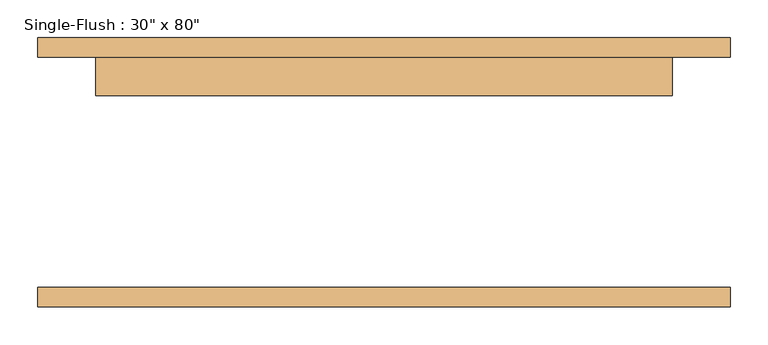
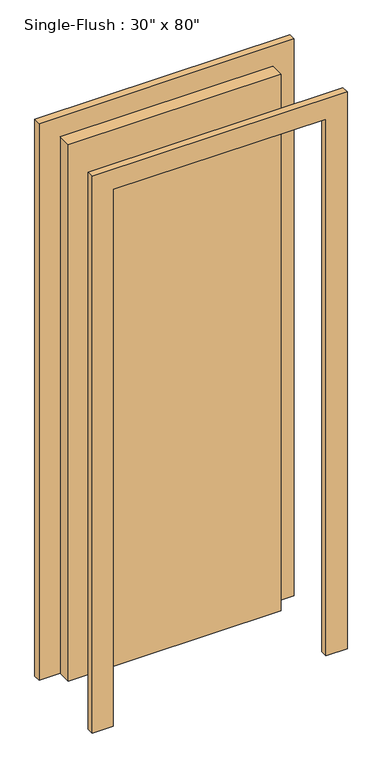
"""IFC4 building model written with IfcOpenShell, lengths in millimetres: door geometry."""

import ifcopenshell
import ifcopenshell.guid

model = None  # the IFC model being written
_history = None  # IfcOwnerHistory: only IFC2X3 demands one
_inside = {}  # id of a spatial element -> (the spatial element, [elements in it])
_under = {}  # id of a project, library or spatial element -> (it, [spatial elements below it])
_declared = {}  # id of a project -> (the project, [libraries it declares])
_typed = {}  # id of a type object -> (the type object, [elements of that type])
_made_of = {}  # id of a material, layer set ... -> (it, [elements and type objects made of it])


def new_model(schema):
    """Start an empty IFC model of exactly this schema.

    Asked for "IFC4X3", IfcOpenShell would pick the latest addendum, in which some entities
    have other attributes; the version numbers below select the first issue.
    IFC2X3 requires an IfcOwnerHistory on every rooted entity: one is made here for all.
    """
    global model, _history
    if schema == "IFC4X3":
        model = ifcopenshell.file(schema_version=(4, 3, 0, 0))
    else:
        model = ifcopenshell.file(schema=schema)
    _inside.clear()
    _under.clear()
    _declared.clear()
    _typed.clear()
    _made_of.clear()
    _history = None
    if model.schema == "IFC2X3":
        org = make("IfcOrganization", Name="unknown")
        user = make(
            "IfcPersonAndOrganization",
            ThePerson=make("IfcPerson", FamilyName="unknown"),
            TheOrganization=org,
        )
        app = make(
            "IfcApplication",
            ApplicationDeveloper=org,
            Version="unknown",
            ApplicationFullName="unknown",
            ApplicationIdentifier="unknown",
        )
        _history = make(
            "IfcOwnerHistory",
            OwningUser=user,
            OwningApplication=app,
            ChangeAction="ADDED",
            CreationDate=0,
        )
    return model


def make(cls, **values):
    """One entity of the class cls with the attributes given. An attribute that is None is left unset."""
    return model.create_entity(
        cls, **{name: value for name, value in values.items() if value is not None}
    )


def rooted(cls, **values):
    """An entity with a GlobalId (a new one), such as an element, a storey or a relation."""
    return make(cls, GlobalId=ifcopenshell.guid.new(), OwnerHistory=_history, **values)


def si_unit(unit_type, name, prefix=None):
    """IfcSIUnit, for example si_unit("LENGTHUNIT", "METRE", prefix="MILLI")."""
    return make("IfcSIUnit", UnitType=unit_type, Prefix=prefix, Name=name)


def assignment(units):
    """IfcUnitAssignment: the units of a project."""
    return None if units is None else make("IfcUnitAssignment", Units=units)


def point(xyz):
    """IfcCartesianPoint."""
    return None if xyz is None else make("IfcCartesianPoint", Coordinates=xyz)


def direction(xyz):
    """IfcDirection."""
    return None if xyz is None else make("IfcDirection", DirectionRatios=xyz)


def frame(location, z_axis=None, x_axis=None):
    """IfcAxis2Placement3D, a coordinate frame: its origin and axes. An axis left out is left unset."""
    return make(
        "IfcAxis2Placement3D",
        Location=point(location),
        Axis=direction(z_axis),
        RefDirection=direction(x_axis),
    )


def origin():
    """The frame at (0, 0, 0) with its axes left unset."""
    return frame((0.0, 0.0, 0.0))


def origin_with_axes():
    """The frame at (0, 0, 0) with the z axis (0, 0, 1) and the x axis (1, 0, 0) written out."""
    return frame((0.0, 0.0, 0.0), z_axis=(0.0, 0.0, 1.0), x_axis=(1.0, 0.0, 0.0))


def place(relative_to, where):
    """IfcLocalPlacement: puts the frame where relative to a parent placement (None: the world)."""
    return make(
        "IfcLocalPlacement", PlacementRelTo=relative_to, RelativePlacement=where
    )


def context(
    kind, dimensions, precision=None, world=None, true_north=None, identifier=None
):
    """IfcGeometricRepresentationContext, for example the 3D "Model" context."""
    return make(
        "IfcGeometricRepresentationContext",
        ContextIdentifier=identifier,
        ContextType=kind,
        CoordinateSpaceDimension=dimensions,
        Precision=precision,
        WorldCoordinateSystem=world,
        TrueNorth=true_north,
    )


def project(units=None, contexts=None):
    """IfcProject with its units and contexts."""
    return rooted(
        "IfcProject",
        Name="project",
        RepresentationContexts=contexts,
        UnitsInContext=assignment(units),
    )


def spatial(cls, under=None, at=None, **own):
    """A site, building, storey or space (cls), placed at a placement, below another one or the project."""
    s = rooted(cls, ObjectPlacement=at, **own)
    if under is not None:
        _under.setdefault(under.id(), (under, []))[1].append(s)
    return s


def polyline(points):
    """IfcPolyline through the points."""
    return make("IfcPolyline", Points=[point(p) for p in points])


def outline(outer, holes=None, kind="AREA"):
    """IfcArbitraryClosedProfileDef: a profile drawn as a closed curve; with holes, ...WithVoids."""
    if holes is None:
        return make("IfcArbitraryClosedProfileDef", ProfileType=kind, OuterCurve=outer)
    return make(
        "IfcArbitraryProfileDefWithVoids",
        ProfileType=kind,
        OuterCurve=outer,
        InnerCurves=holes,
    )


def extrude(swept, where, along, depth):
    """IfcExtrudedAreaSolid: the profile swept, set in the frame where, extruded along a direction by depth."""
    return make(
        "IfcExtrudedAreaSolid",
        SweptArea=swept,
        Position=where,
        ExtrudedDirection=direction(along),
        Depth=depth,
    )


def shape(context_of_items, identifier, shape_type, items):
    """IfcShapeRepresentation: the items that make up one representation, for example the "Body"."""
    return make(
        "IfcShapeRepresentation",
        ContextOfItems=context_of_items,
        RepresentationIdentifier=identifier,
        RepresentationType=shape_type,
        Items=items,
    )


def source(mapping_origin, context_of_items, identifier, shape_type, items):
    """IfcRepresentationMap: a shape defined once, which mapped items show again and again."""
    return make(
        "IfcRepresentationMap",
        MappingOrigin=mapping_origin,
        MappedRepresentation=shape(context_of_items, identifier, shape_type, items),
    )


def transform(
    local_origin,
    x_axis=None,
    y_axis=None,
    z_axis=None,
    scale=None,
    scale2=None,
    scale3=None,
    uniform=True,
):
    """IfcCartesianTransformationOperator3D, or its non-uniform kind. x_axis, y_axis, z_axis: its Axis1, 2, 3."""
    if uniform:
        return make(
            "IfcCartesianTransformationOperator3D",
            Axis1=direction(x_axis),
            Axis2=direction(y_axis),
            LocalOrigin=point(local_origin),
            Scale=scale,
            Axis3=direction(z_axis),
        )
    return make(
        "IfcCartesianTransformationOperator3DnonUniform",
        Axis1=direction(x_axis),
        Axis2=direction(y_axis),
        LocalOrigin=point(local_origin),
        Scale=scale,
        Axis3=direction(z_axis),
        Scale2=scale2,
        Scale3=scale3,
    )


def mapped(mapping_source, mapping_target):
    """IfcMappedItem: shows the shape of a source again, moved by a transform."""
    return make(
        "IfcMappedItem", MappingSource=mapping_source, MappingTarget=mapping_target
    )


def made_of(thing, what):
    """Note that an element or type object is made of a material, layer set ...; save() writes the relation."""
    if what is not None:
        _made_of.setdefault(what.id(), (what, []))[1].append(thing)
    return thing


def element(
    cls,
    number,
    at=None,
    inside=None,
    cuts=None,
    type_object=None,
    material=None,
    context=None,
    identifier="Body",
    shape_type=None,
    held_by="IfcProductDefinitionShape",
    body=None,
    shapes=None,
    **own,
):
    """One element of the class cls, such as IfcWall. Its Tag is "e" and its number.

    at: its placement. inside: the storey or other place that contains it. cuts: it is an
    opening in that element (IfcRelVoidsElement). A single representation is given by context,
    identifier, shape_type and body (its items); several are given by shapes. held_by: the class
    of the entity that holds the representations. save() writes the other relations.
    """
    e = rooted(cls, Tag="e%d" % number, ObjectPlacement=at, **own)
    if body is not None:
        shapes = [shape(context, identifier, shape_type, body)]
    if shapes is not None:
        e.Representation = make(held_by, Representations=shapes)
    if inside is not None:
        _inside.setdefault(inside.id(), (inside, []))[1].append(e)
    if cuts is not None:
        rooted(
            "IfcRelVoidsElement", RelatingBuildingElement=cuts, RelatedOpeningElement=e
        )
    if type_object is not None:
        _typed.setdefault(type_object.id(), (type_object, []))[1].append(e)
    return made_of(e, material)


def aggregate(whole, parts):
    """IfcRelAggregates: a whole, such as a stair, and the parts it consists of."""
    return rooted("IfcRelAggregates", RelatingObject=whole, RelatedObjects=parts)


def save(model, path):
    """Write the relations noted so far, then the file.

    IfcRelAggregates (storeys below a building ...), IfcRelContainedInSpatialStructure (elements
    in a storey), IfcRelDefinesByType, IfcRelAssociatesMaterial and IfcRelDeclares: one each for
    every whole, place, type object, material and project.
    """
    for whole, parts in _under.values():
        aggregate(whole, parts)
    for where, things in _inside.values():
        rooted(
            "IfcRelContainedInSpatialStructure",
            RelatedElements=things,
            RelatingStructure=where,
        )
    for kind, things in _typed.values():
        rooted("IfcRelDefinesByType", RelatedObjects=things, RelatingType=kind)
    for what, things in _made_of.values():
        rooted("IfcRelAssociatesMaterial", RelatedObjects=things, RelatingMaterial=what)
    for by, libraries in _declared.values():
        rooted("IfcRelDeclares", RelatingContext=by, RelatedDefinitions=libraries)
    model.write(path)


def door_8961db80(model_context):
    return source(origin(), model_context, "Body", "SweptSolid", [
        extrude(outline(polyline([(2108.2, -457.2), (0.0, -457.2), (0.0, -381.0), (2032.0, -381.0), (2032.0, 381.0), (0.0, 381.0), (0.0, 457.2), (2108.2, 457.2), (2108.2, -457.2)])), frame((0.0, 152.4, 0.0), z_axis=(0.0, 1.0, 0.0), x_axis=(0.0, 0.0, 1.0)), (0.0, 0.0, 1.0), 25.4),
        extrude(outline(polyline([(2108.2, 457.2), (2108.2, -457.2), (0.0, -457.2), (0.0, -381.0), (2032.0, -381.0), (2032.0, 381.0), (0.0, 381.0), (0.0, 457.2), (2108.2, 457.2)])), frame((0.0, -177.8, 0.0), z_axis=(0.0, 1.0, 0.0), x_axis=(0.0, 0.0, 1.0)), (0.0, 0.0, 1.0), 25.4),
        extrude(outline(polyline([(381.0, 101.6), (-381.0, 101.6), (-381.0, 152.4), (381.0, 152.4), (381.0, 101.6)])), origin_with_axes(), (0.0, 0.0, 1.0), 2032.0),
    ])


if __name__ == "__main__":
    model = new_model("IFC4")
    model_context = context("Model", 3, world=origin())
    ifc_project = project(units=[si_unit("LENGTHUNIT", "METRE", prefix="MILLI")], contexts=[model_context])
    site = spatial("IfcSite", under=ifc_project)
    building = spatial("IfcBuilding", under=site)
    placement = place(None, origin())
    door_shape = door_8961db80(model_context)
    element("IfcDoor", 1, ObjectType="Single-Flush : 30\" x 80\"", at=placement, inside=building, context=model_context, shape_type="MappedRepresentation", body=[
        mapped(door_shape, transform((0.0, 0.0, 0.0), x_axis=(1.0, 0.0, 0.0), y_axis=(0.0, 1.0, 0.0), z_axis=(0.0, 0.0, 1.0))),
    ])
    save(model, "model.ifc")
